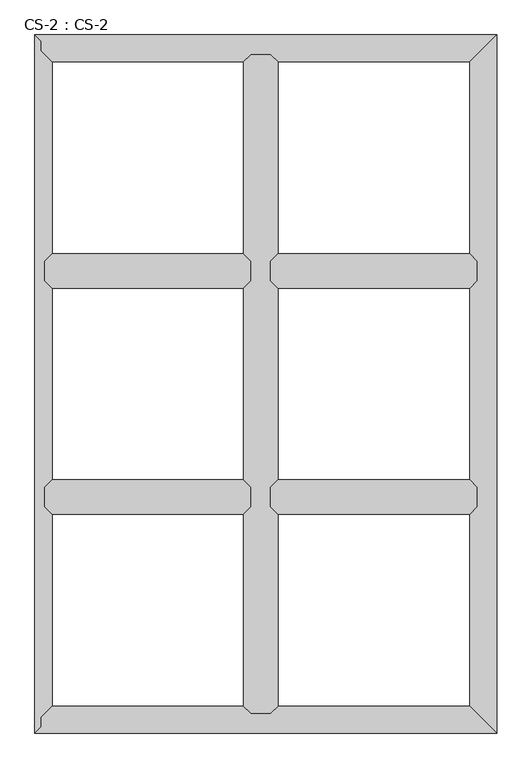
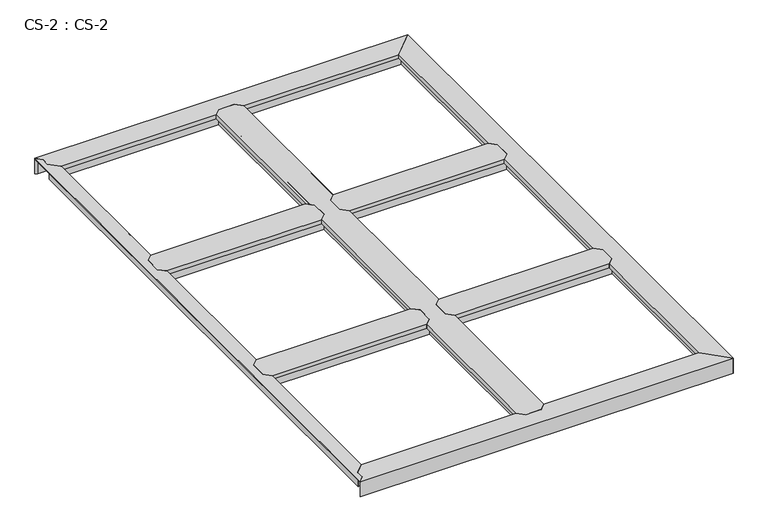
"""IFC4 building model written with IfcOpenShell, lengths in millimetres: proxy geometry, CS-2 : CS-2."""

from ifc_helpers import new_model, si_unit, origin, place, context, project, spatial, faceted_brep, source, transform, mapped, element, save


def cs_2_cs_2_319b02da(model_context):
    return source(origin(), model_context, "Body", "Brep", [
        faceted_brep([(1490.98, 762.0, 46.355), (1490.98, 762.0, 0.0), (1490.98, 768.985, 0.0), (1490.98, 768.985, 63.5), (1490.98, 821.055, 63.5), (1490.98, 821.055, 0.0), (1490.98, 828.04, 0.0), (1490.98, 828.04, 46.355), (1490.98, 828.04, 66.675), (1490.98, 762.0, 66.675), (795.02, 828.04, 46.355), (795.02, 828.04, 0.0), (795.02, 821.055, 0.0), (795.02, 821.055, 63.5), (795.02, 768.985, 63.5), (795.02, 768.985, 0.0), (795.02, 762.0, 0.0), (795.02, 762.0, 46.355), (795.02, 762.0, 66.675), (795.02, 828.04, 66.675), (819.658, 852.678, 66.675), (1466.342, 852.678, 66.675), (1466.342, 852.678, 49.8094), (819.658, 852.678, 49.8094), (1467.866, 851.154, 49.8094), (818.134, 851.154, 49.8094), (1467.866, 851.154, 64.643), (818.134, 851.154, 64.643), (1478.153, 840.867, 64.643), (807.847, 840.867, 64.643), (1478.153, 840.867, 46.355), (807.847, 840.867, 46.355), (1478.153, 749.173, 46.355), (807.847, 749.173, 46.355), (1478.153, 749.173, 64.643), (807.847, 749.173, 64.643), (1467.866, 738.886, 64.643), (818.134, 738.886, 64.643), (1467.866, 738.886, 49.8094), (818.134, 738.886, 49.8094), (1466.342, 737.362, 49.8094), (819.658, 737.362, 49.8094), (1466.342, 737.362, 66.675), (819.658, 737.362, 66.675)], [[[0, 1, 2, 3, 4, 5, 6, 7, 8, 9]], [[10, 11, 12, 13, 14, 15, 16, 17, 18, 19]], [[20, 21, 22, 23]], [[23, 22, 24, 25]], [[25, 24, 26, 27]], [[27, 26, 28, 29]], [[29, 28, 30, 31]], [[7, 10, 31, 30]], [[7, 6, 11, 10]], [[6, 5, 12, 11]], [[5, 4, 13, 12]], [[4, 3, 14, 13]], [[3, 2, 15, 14]], [[2, 1, 16, 15]], [[1, 0, 17, 16]], [[17, 0, 32, 33]], [[33, 32, 34, 35]], [[35, 34, 36, 37]], [[37, 36, 38, 39]], [[39, 38, 40, 41]], [[41, 40, 42, 43]], [[9, 8, 21, 20, 19, 18, 43, 42]], [[10, 19, 20, 23, 25, 27, 29, 31]], [[18, 17, 33, 35, 37, 39, 41, 43]], [[0, 9, 42, 40, 38, 36, 34, 32]], [[8, 7, 30, 28, 26, 24, 22, 21]]]),
        faceted_brep([(1490.98, 1524.0, 46.355), (1490.98, 1524.0, 0.0), (1490.98, 1530.985, 0.0), (1490.98, 1530.985, 63.5), (1490.98, 1583.055, 63.5), (1490.98, 1583.055, 0.0), (1490.98, 1590.04, 0.0), (1490.98, 1590.04, 46.355), (1490.98, 1590.04, 66.675), (1490.98, 1524.0, 66.675), (795.02, 1590.04, 46.355), (795.02, 1590.04, 0.0), (795.02, 1583.055, 0.0), (795.02, 1583.055, 63.5), (795.02, 1530.985, 63.5), (795.02, 1530.985, 0.0), (795.02, 1524.0, 0.0), (795.02, 1524.0, 46.355), (795.02, 1524.0, 66.675), (795.02, 1590.04, 66.675), (819.658, 1614.678, 66.675), (1466.342, 1614.678, 66.675), (1466.342, 1614.678, 49.8094), (819.658, 1614.678, 49.8094), (1467.866, 1613.154, 49.8094), (818.134, 1613.154, 49.8094), (1467.866, 1613.154, 64.643), (818.134, 1613.154, 64.643), (1478.153, 1602.867, 64.643), (807.847, 1602.867, 64.643), (1478.153, 1602.867, 46.355), (807.847, 1602.867, 46.355), (1478.153, 1511.173, 46.355), (807.847, 1511.173, 46.355), (1478.153, 1511.173, 64.643), (807.847, 1511.173, 64.643), (1467.866, 1500.886, 64.643), (818.134, 1500.886, 64.643), (1467.866, 1500.886, 49.8094), (818.134, 1500.886, 49.8094), (1466.342, 1499.362, 49.8094), (819.658, 1499.362, 49.8094), (1466.342, 1499.362, 66.675), (819.658, 1499.362, 66.675)], [[[0, 1, 2, 3, 4, 5, 6, 7, 8, 9]], [[10, 11, 12, 13, 14, 15, 16, 17, 18, 19]], [[20, 21, 22, 23]], [[23, 22, 24, 25]], [[25, 24, 26, 27]], [[27, 26, 28, 29]], [[29, 28, 30, 31]], [[7, 10, 31, 30]], [[7, 6, 11, 10]], [[6, 5, 12, 11]], [[5, 4, 13, 12]], [[4, 3, 14, 13]], [[3, 2, 15, 14]], [[2, 1, 16, 15]], [[1, 0, 17, 16]], [[17, 0, 32, 33]], [[33, 32, 34, 35]], [[35, 34, 36, 37]], [[37, 36, 38, 39]], [[39, 38, 40, 41]], [[41, 40, 42, 43]], [[9, 8, 21, 20, 19, 18, 43, 42]], [[10, 19, 20, 23, 25, 27, 29, 31]], [[18, 17, 33, 35, 37, 39, 41, 43]], [[0, 9, 42, 40, 38, 36, 34, 32]], [[8, 7, 30, 28, 26, 24, 22, 21]]]),
        faceted_brep([(795.02, 2286.0, 46.355), (795.02, 2286.0, 0.0), (788.035, 2286.0, 0.0), (788.035, 2286.0, 63.5), (735.965, 2286.0, 63.5), (735.965, 2286.0, 0.0), (728.98, 2286.0, 0.0), (728.98, 2286.0, 46.355), (728.98, 2286.0, 66.675), (795.02, 2286.0, 66.675), (728.98, 66.04, 46.355), (728.98, 66.04, 0.0), (735.965, 66.04, 0.0), (735.965, 66.04, 63.5), (788.035, 66.04, 63.5), (788.035, 66.04, 0.0), (795.02, 66.04, 0.0), (795.02, 66.04, 46.355), (795.02, 66.04, 66.675), (728.98, 66.04, 66.675), (704.342, 90.678, 49.8094), (704.342, 90.678, 66.675), (704.342, 737.362, 66.675), (704.342, 737.362, 49.8094), (704.342, 2261.362, 66.675), (704.342, 2261.362, 49.8094), (704.342, 1614.678, 49.8094), (704.342, 1614.678, 66.675), (704.342, 852.678, 49.8094), (704.342, 852.678, 66.675), (704.342, 1499.362, 66.675), (704.342, 1499.362, 49.8094), (705.866, 89.154, 49.8094), (705.866, 738.886, 49.8094), (705.866, 2262.886, 49.8094), (705.866, 1613.154, 49.8094), (705.866, 851.154, 49.8094), (705.866, 1500.886, 49.8094), (705.866, 89.154, 64.643), (705.866, 738.886, 64.643), (705.866, 2262.886, 64.643), (705.866, 1613.154, 64.643), (705.866, 851.154, 64.643), (705.866, 1500.886, 64.643), (716.153, 78.867, 64.643), (716.153, 749.173, 64.643), (716.153, 2273.173, 64.643), (716.153, 1602.867, 64.643), (716.153, 840.867, 64.643), (716.153, 1511.173, 64.643), (716.153, 78.867, 46.355), (716.153, 749.173, 46.355), (716.153, 2273.173, 46.355), (716.153, 1602.867, 46.355), (716.153, 840.867, 46.355), (716.153, 1511.173, 46.355), (728.98, 762.0, 46.355), (728.98, 1590.04, 46.355), (728.98, 828.04, 46.355), (728.98, 1524.0, 46.355), (728.98, 762.0, 66.675), (728.98, 828.04, 66.675), (728.98, 1524.0, 66.675), (728.98, 1590.04, 66.675), (795.02, 1590.04, 46.355), (795.02, 1590.04, 66.675), (795.02, 1524.0, 66.675), (795.02, 1524.0, 46.355), (795.02, 828.04, 46.355), (795.02, 828.04, 66.675), (795.02, 762.0, 66.675), (795.02, 762.0, 46.355), (807.847, 78.867, 46.355), (807.847, 749.173, 46.355), (807.847, 2273.173, 46.355), (807.847, 1602.867, 46.355), (807.847, 840.867, 46.355), (807.847, 1511.173, 46.355), (807.847, 78.867, 64.643), (807.847, 749.173, 64.643), (807.847, 2273.173, 64.643), (807.847, 1602.867, 64.643), (807.847, 840.867, 64.643), (807.847, 1511.173, 64.643), (818.134, 89.154, 64.643), (818.134, 738.886, 64.643), (818.134, 2262.886, 64.643), (818.134, 1613.154, 64.643), (818.134, 851.154, 64.643), (818.134, 1500.886, 64.643), (818.134, 89.154, 49.8094), (818.134, 738.886, 49.8094), (818.134, 2262.886, 49.8094), (818.134, 1613.154, 49.8094), (818.134, 851.154, 49.8094), (818.134, 1500.886, 49.8094), (819.658, 90.678, 49.8094), (819.658, 737.362, 49.8094), (819.658, 2261.362, 49.8094), (819.658, 1614.678, 49.8094), (819.658, 852.678, 49.8094), (819.658, 1499.362, 49.8094), (819.658, 90.678, 66.675), (819.658, 737.362, 66.675), (819.658, 2261.362, 66.675), (819.658, 1614.678, 66.675), (819.658, 852.678, 66.675), (819.658, 1499.362, 66.675)], [[[0, 1, 2, 3, 4, 5, 6, 7, 8, 9]], [[10, 11, 12, 13, 14, 15, 16, 17, 18, 19]], [[20, 21, 22, 23]], [[24, 25, 26, 27]], [[28, 29, 30, 31]], [[32, 20, 23, 33]], [[25, 34, 35, 26]], [[36, 28, 31, 37]], [[38, 32, 33, 39]], [[34, 40, 41, 35]], [[42, 36, 37, 43]], [[44, 38, 39, 45]], [[40, 46, 47, 41]], [[48, 42, 43, 49]], [[50, 44, 45, 51]], [[46, 52, 53, 47]], [[54, 48, 49, 55]], [[10, 50, 51, 56]], [[52, 7, 57, 53]], [[58, 54, 55, 59]], [[7, 6, 11, 10, 56, 60, 61, 58, 59, 62, 63, 57]], [[6, 5, 12, 11]], [[5, 4, 13, 12]], [[4, 3, 14, 13]], [[3, 2, 15, 14]], [[2, 1, 16, 15]], [[1, 0, 64, 65, 66, 67, 68, 69, 70, 71, 17, 16]], [[72, 17, 71, 73]], [[0, 74, 75, 64]], [[76, 68, 67, 77]], [[78, 72, 73, 79]], [[74, 80, 81, 75]], [[82, 76, 77, 83]], [[84, 78, 79, 85]], [[80, 86, 87, 81]], [[88, 82, 83, 89]], [[90, 84, 85, 91]], [[86, 92, 93, 87]], [[94, 88, 89, 95]], [[96, 90, 91, 97]], [[92, 98, 99, 93]], [[100, 94, 95, 101]], [[102, 96, 97, 103]], [[98, 104, 105, 99]], [[106, 100, 101, 107]], [[9, 8, 24, 27, 63, 62, 30, 29, 61, 60, 22, 21, 19, 18, 102, 103, 70, 69, 106, 107, 66, 65, 105, 104]], [[10, 19, 21, 20, 32, 38, 44, 50]], [[18, 17, 72, 78, 84, 90, 96, 102]], [[0, 9, 104, 98, 92, 86, 80, 74]], [[8, 7, 52, 46, 40, 34, 25, 24]], [[60, 56, 51, 45, 39, 33, 23, 22]], [[58, 61, 29, 28, 36, 42, 48, 54]], [[62, 59, 55, 49, 43, 37, 31, 30]], [[57, 63, 27, 26, 35, 41, 47, 53]], [[69, 68, 76, 82, 88, 94, 100, 106]], [[71, 70, 103, 97, 91, 85, 79, 73]], [[65, 64, 75, 81, 87, 93, 99, 105]], [[67, 66, 107, 101, 95, 89, 83, 77]]]),
        faceted_brep([(728.98, 762.0, 46.355), (728.98, 762.0, 0.0), (728.98, 768.985, 0.0), (728.98, 768.985, 63.5), (728.98, 821.055, 63.5), (728.98, 821.055, 0.0), (728.98, 828.04, 0.0), (728.98, 828.04, 46.355), (728.98, 828.04, 66.675), (728.98, 762.0, 66.675), (33.02, 828.04, 46.355), (33.02, 828.04, 0.0), (33.02, 821.055, 0.0), (33.02, 821.055, 63.5), (33.02, 768.985, 63.5), (33.02, 768.985, 0.0), (33.02, 762.0, 0.0), (33.02, 762.0, 46.355), (33.02, 762.0, 66.675), (33.02, 828.04, 66.675), (57.658, 852.678, 66.675), (704.342, 852.678, 66.675), (704.342, 852.678, 49.8094), (57.658, 852.678, 49.8094), (705.866, 851.154, 49.8094), (56.134, 851.154, 49.8094), (705.866, 851.154, 64.643), (56.134, 851.154, 64.643), (716.153, 840.867, 64.643), (45.847, 840.867, 64.643), (716.153, 840.867, 46.355), (45.847, 840.867, 46.355), (716.153, 749.173, 46.355), (45.847, 749.173, 46.355), (716.153, 749.173, 64.643), (45.847, 749.173, 64.643), (705.866, 738.886, 64.643), (56.134, 738.886, 64.643), (705.866, 738.886, 49.8094), (56.134, 738.886, 49.8094), (704.342, 737.362, 49.8094), (57.658, 737.362, 49.8094), (704.342, 737.362, 66.675), (57.658, 737.362, 66.675)], [[[0, 1, 2, 3, 4, 5, 6, 7, 8, 9]], [[10, 11, 12, 13, 14, 15, 16, 17, 18, 19]], [[20, 21, 22, 23]], [[23, 22, 24, 25]], [[25, 24, 26, 27]], [[27, 26, 28, 29]], [[29, 28, 30, 31]], [[7, 10, 31, 30]], [[7, 6, 11, 10]], [[6, 5, 12, 11]], [[5, 4, 13, 12]], [[4, 3, 14, 13]], [[3, 2, 15, 14]], [[2, 1, 16, 15]], [[1, 0, 17, 16]], [[17, 0, 32, 33]], [[33, 32, 34, 35]], [[35, 34, 36, 37]], [[37, 36, 38, 39]], [[39, 38, 40, 41]], [[41, 40, 42, 43]], [[9, 8, 21, 20, 19, 18, 43, 42]], [[10, 19, 20, 23, 25, 27, 29, 31]], [[18, 17, 33, 35, 37, 39, 41, 43]], [[0, 9, 42, 40, 38, 36, 34, 32]], [[8, 7, 30, 28, 26, 24, 22, 21]]]),
        faceted_brep([(728.98, 1524.0, 46.355), (728.98, 1524.0, 0.0), (728.98, 1530.985, 0.0), (728.98, 1530.985, 63.5), (728.98, 1583.055, 63.5), (728.98, 1583.055, 0.0), (728.98, 1590.04, 0.0), (728.98, 1590.04, 46.355), (728.98, 1590.04, 66.675), (728.98, 1524.0, 66.675), (33.02, 1590.04, 46.355), (33.02, 1590.04, 0.0), (33.02, 1583.055, 0.0), (33.02, 1583.055, 63.5), (33.02, 1530.985, 63.5), (33.02, 1530.985, 0.0), (33.02, 1524.0, 0.0), (33.02, 1524.0, 46.355), (33.02, 1524.0, 66.675), (33.02, 1590.04, 66.675), (57.658, 1614.678, 66.675), (704.342, 1614.678, 66.675), (704.342, 1614.678, 49.8094), (57.658, 1614.678, 49.8094), (705.866, 1613.154, 49.8094), (56.134, 1613.154, 49.8094), (705.866, 1613.154, 64.643), (56.134, 1613.154, 64.643), (716.153, 1602.867, 64.643), (45.847, 1602.867, 64.643), (716.153, 1602.867, 46.355), (45.847, 1602.867, 46.355), (716.153, 1511.173, 46.355), (45.847, 1511.173, 46.355), (716.153, 1511.173, 64.643), (45.847, 1511.173, 64.643), (705.866, 1500.886, 64.643), (56.134, 1500.886, 64.643), (705.866, 1500.886, 49.8094), (56.134, 1500.886, 49.8094), (704.342, 1499.362, 49.8094), (57.658, 1499.362, 49.8094), (704.342, 1499.362, 66.675), (57.658, 1499.362, 66.675)], [[[0, 1, 2, 3, 4, 5, 6, 7, 8, 9]], [[10, 11, 12, 13, 14, 15, 16, 17, 18, 19]], [[20, 21, 22, 23]], [[23, 22, 24, 25]], [[25, 24, 26, 27]], [[27, 26, 28, 29]], [[29, 28, 30, 31]], [[7, 10, 31, 30]], [[7, 6, 11, 10]], [[6, 5, 12, 11]], [[5, 4, 13, 12]], [[4, 3, 14, 13]], [[3, 2, 15, 14]], [[2, 1, 16, 15]], [[1, 0, 17, 16]], [[17, 0, 32, 33]], [[33, 32, 34, 35]], [[35, 34, 36, 37]], [[37, 36, 38, 39]], [[39, 38, 40, 41]], [[41, 40, 42, 43]], [[9, 8, 21, 20, 19, 18, 43, 42]], [[10, 19, 20, 23, 25, 27, 29, 31]], [[18, 17, 33, 35, 37, 39, 41, 43]], [[0, 9, 42, 40, 38, 36, 34, 32]], [[8, 7, 30, 28, 26, 24, 22, 21]]]),
        faceted_brep([(1557.02, 0.0, 0.0), (0.0, 0.0, 0.0), (6.985, 6.985, 0.0), (1550.035, 6.985, 0.0), (1550.035, 6.985, 63.5), (6.985, 6.985, 63.5), (1497.965, 59.055, 63.5), (21.59, 21.59, 63.5), (21.59, 53.34, 63.5), (27.1106122, 59.055, 63.5), (1497.965, 59.055, 0.0), (27.1106122, 59.055, 0.0), (33.8580272, 66.04, 0.0), (1490.98, 66.04, 0.0), (1490.98, 66.04, 46.355), (33.8580272, 66.04, 46.355), (728.98, 66.04, 46.355), (728.98, 66.04, 66.675), (795.02, 66.04, 66.675), (795.02, 66.04, 46.355), (1478.153, 78.867, 46.355), (807.847, 78.867, 46.355), (46.2487347, 78.867, 46.355), (716.153, 78.867, 46.355), (1478.153, 78.867, 63.5), (807.847, 78.867, 63.5), (46.2487347, 78.867, 63.5), (716.153, 78.867, 63.5), (1467.866, 89.154, 63.5), (818.134, 89.154, 63.5), (56.1858367, 89.154, 63.5), (705.866, 89.154, 63.5), (1467.866, 89.154, 49.8094), (818.134, 89.154, 49.8094), (56.1858367, 89.154, 49.8094), (705.866, 89.154, 49.8094), (1466.342, 90.678, 49.8094), (819.658, 90.678, 49.8094), (57.658, 90.678, 49.8094), (704.342, 90.678, 49.8094), (1466.342, 90.678, 66.675), (819.658, 90.678, 66.675), (57.658, 90.678, 66.675), (704.342, 90.678, 66.675), (0.0, 0.0, 66.675), (1557.02, 0.0, 66.675), (21.59, 53.34, 66.675), (21.59, 21.59, 66.675)], [[[0, 1, 2, 3]], [[4, 3, 2, 5]], [[6, 4, 5, 7, 8, 9]], [[10, 6, 9, 11]], [[12, 13, 10, 11]], [[14, 13, 12, 15, 16, 17, 18, 19]], [[20, 14, 19, 21]], [[15, 22, 23, 16]], [[24, 20, 21, 25]], [[22, 26, 27, 23]], [[28, 24, 25, 29]], [[26, 30, 31, 27]], [[32, 28, 29, 33]], [[30, 34, 35, 31]], [[36, 32, 33, 37]], [[34, 38, 39, 35]], [[40, 36, 37, 41]], [[38, 42, 43, 39]], [[44, 45, 40, 41, 18, 17, 43, 42, 46, 47]], [[1, 0, 45, 44]], [[0, 3, 4, 6, 10, 13, 14, 20, 24, 28, 32, 36, 40, 45]], [[7, 47, 46, 8]], [[8, 46, 42, 38, 34, 30, 26, 22, 15, 12, 11, 9]], [[47, 7, 5, 2, 1, 44]], [[17, 16, 23, 27, 31, 35, 39, 43]], [[19, 18, 41, 37, 33, 29, 25, 21]]]),
        faceted_brep([(1557.02, 2352.04, 0.0), (1557.02, 0.0, 0.0), (1550.035, 6.985, 0.0), (1550.035, 2345.055, 0.0), (1550.035, 2345.055, 63.5), (1550.035, 6.985, 63.5), (1497.965, 2292.985, 63.5), (1497.965, 59.055, 63.5), (1497.965, 2292.985, 0.0), (1497.965, 59.055, 0.0), (1490.98, 66.04, 0.0), (1490.98, 2286.0, 0.0), (1490.98, 2286.0, 46.355), (1490.98, 66.04, 46.355), (1490.98, 762.0, 46.355), (1490.98, 762.0, 66.675), (1490.98, 828.04, 66.675), (1490.98, 828.04, 46.355), (1490.98, 1524.0, 46.355), (1490.98, 1524.0, 66.675), (1490.98, 1590.04, 66.675), (1490.98, 1590.04, 46.355), (1478.153, 2273.173, 46.355), (1478.153, 1602.867, 46.355), (1478.153, 78.867, 46.355), (1478.153, 749.173, 46.355), (1478.153, 1511.173, 46.355), (1478.153, 840.867, 46.355), (1478.153, 2273.173, 63.5), (1478.153, 1602.867, 63.5), (1478.153, 78.867, 63.5), (1478.153, 749.173, 63.5), (1478.153, 1511.173, 63.5), (1478.153, 840.867, 63.5), (1467.866, 2262.886, 63.5), (1467.866, 1613.154, 63.5), (1467.866, 89.154, 63.5), (1467.866, 738.886, 63.5), (1467.866, 1500.886, 63.5), (1467.866, 851.154, 63.5), (1467.866, 2262.886, 49.8094), (1467.866, 1613.154, 49.8094), (1467.866, 89.154, 49.8094), (1467.866, 738.886, 49.8094), (1467.866, 1500.886, 49.8094), (1467.866, 851.154, 49.8094), (1466.342, 2261.362, 49.8094), (1466.342, 1614.678, 49.8094), (1466.342, 90.678, 49.8094), (1466.342, 737.362, 49.8094), (1466.342, 1499.362, 49.8094), (1466.342, 852.678, 49.8094), (1466.342, 2261.362, 66.675), (1466.342, 1614.678, 66.675), (1466.342, 90.678, 66.675), (1466.342, 737.362, 66.675), (1466.342, 1499.362, 66.675), (1466.342, 852.678, 66.675), (1557.02, 0.0, 66.675), (1557.02, 2352.04, 66.675)], [[[0, 1, 2, 3]], [[4, 3, 2, 5]], [[6, 4, 5, 7]], [[8, 6, 7, 9]], [[10, 11, 8, 9]], [[12, 11, 10, 13, 14, 15, 16, 17, 18, 19, 20, 21]], [[22, 12, 21, 23]], [[13, 24, 25, 14]], [[26, 18, 17, 27]], [[28, 22, 23, 29]], [[24, 30, 31, 25]], [[32, 26, 27, 33]], [[34, 28, 29, 35]], [[30, 36, 37, 31]], [[38, 32, 33, 39]], [[40, 34, 35, 41]], [[36, 42, 43, 37]], [[44, 38, 39, 45]], [[46, 40, 41, 47]], [[42, 48, 49, 43]], [[50, 44, 45, 51]], [[52, 46, 47, 53]], [[48, 54, 55, 49]], [[56, 50, 51, 57]], [[58, 59, 52, 53, 20, 19, 56, 57, 16, 15, 55, 54]], [[1, 0, 59, 58]], [[0, 3, 4, 6, 8, 11, 12, 22, 28, 34, 40, 46, 52, 59]], [[2, 1, 58, 54, 48, 42, 36, 30, 24, 13, 10, 9, 7, 5]], [[19, 18, 26, 32, 38, 44, 50, 56]], [[21, 20, 53, 47, 41, 35, 29, 23]], [[15, 14, 25, 31, 37, 43, 49, 55]], [[17, 16, 57, 51, 45, 39, 33, 27]]]),
        faceted_brep([(0.0, 2352.04, 0.0), (1557.02, 2352.04, 0.0), (1550.035, 2345.055, 0.0), (6.985, 2345.055, 0.0), (6.985, 2345.055, 63.5), (1550.035, 2345.055, 63.5), (21.59, 2330.45, 63.5), (1497.965, 2292.985, 63.5), (27.1106122, 2292.985, 63.5), (21.59, 2298.7, 63.5), (27.1106122, 2292.985, 0.0), (1497.965, 2292.985, 0.0), (1490.98, 2286.0, 0.0), (33.8580272, 2286.0, 0.0), (33.8580272, 2286.0, 46.355), (1490.98, 2286.0, 46.355), (795.02, 2286.0, 46.355), (795.02, 2286.0, 66.675), (728.98, 2286.0, 66.675), (728.98, 2286.0, 46.355), (46.2487347, 2273.173, 46.355), (716.153, 2273.173, 46.355), (1478.153, 2273.173, 46.355), (807.847, 2273.173, 46.355), (46.2487347, 2273.173, 63.5), (716.153, 2273.173, 63.5), (1478.153, 2273.173, 63.5), (807.847, 2273.173, 63.5), (56.1858367, 2262.886, 63.5), (705.866, 2262.886, 63.5), (1467.866, 2262.886, 63.5), (818.134, 2262.886, 63.5), (56.1858367, 2262.886, 49.8094), (705.866, 2262.886, 49.8094), (1467.866, 2262.886, 49.8094), (818.134, 2262.886, 49.8094), (57.658, 2261.362, 49.8094), (704.342, 2261.362, 49.8094), (1466.342, 2261.362, 49.8094), (819.658, 2261.362, 49.8094), (57.658, 2261.362, 66.675), (704.342, 2261.362, 66.675), (1466.342, 2261.362, 66.675), (819.658, 2261.362, 66.675), (1557.02, 2352.04, 66.675), (0.0, 2352.04, 66.675), (21.59, 2330.45, 66.675), (21.59, 2298.7, 66.675)], [[[0, 1, 2, 3]], [[4, 3, 2, 5]], [[6, 4, 5, 7, 8, 9]], [[10, 8, 7, 11]], [[12, 13, 10, 11]], [[14, 13, 12, 15, 16, 17, 18, 19]], [[20, 14, 19, 21]], [[15, 22, 23, 16]], [[24, 20, 21, 25]], [[22, 26, 27, 23]], [[28, 24, 25, 29]], [[26, 30, 31, 27]], [[32, 28, 29, 33]], [[30, 34, 35, 31]], [[36, 32, 33, 37]], [[34, 38, 39, 35]], [[40, 36, 37, 41]], [[38, 42, 43, 39]], [[44, 45, 46, 47, 40, 41, 18, 17, 43, 42]], [[1, 0, 45, 44]], [[6, 46, 45, 0, 3, 4]], [[47, 9, 8, 10, 13, 14, 20, 24, 28, 32, 36, 40]], [[46, 6, 9, 47]], [[2, 1, 44, 42, 38, 34, 30, 26, 22, 15, 12, 11, 7, 5]], [[17, 16, 23, 27, 31, 35, 39, 43]], [[19, 18, 41, 37, 33, 29, 25, 21]]]),
        faceted_brep([(0.0, 2352.04, 66.675), (0.0, 0.0, 66.675), (21.59, 21.59, 66.675), (21.59, 53.34, 66.675), (57.658, 90.678, 66.675), (57.658, 737.362, 66.675), (33.02, 762.0, 66.675), (33.02, 828.04, 66.675), (57.658, 852.678, 66.675), (57.658, 1499.362, 66.675), (33.02, 1524.0, 66.675), (33.02, 1590.04, 66.675), (57.658, 1614.678, 66.675), (57.658, 2261.362, 66.675), (21.59, 2298.7, 66.675), (21.59, 2330.45, 66.675), (0.0, 2352.04, 63.5), (0.0, 0.0, 63.5), (21.59, 2330.45, 63.5), (21.59, 2298.7, 63.5), (26.035, 2294.0984859, 63.5), (26.035, 57.9415141, 63.5), (21.59, 53.34, 63.5), (21.59, 21.59, 63.5), (26.035, 57.9415141, 0.0), (26.035, 2294.0984859, 0.0), (33.02, 2286.8675352, 0.0), (33.02, 65.1724648, 0.0), (33.02, 65.1724648, 46.355), (33.02, 2286.8675352, 46.355), (33.02, 1590.04, 46.355), (33.02, 1524.0, 46.355), (33.02, 828.04, 46.355), (33.02, 762.0, 46.355), (45.847, 78.4511197, 46.355), (45.847, 749.173, 46.355), (45.847, 2273.5888803, 46.355), (45.847, 1602.867, 46.355), (45.847, 840.867, 46.355), (45.847, 1511.173, 46.355), (45.847, 78.4511197, 64.643), (45.847, 749.173, 64.643), (45.847, 2273.5888803, 64.643), (45.847, 1602.867, 64.643), (45.847, 840.867, 64.643), (45.847, 1511.173, 64.643), (56.134, 89.100338, 64.643), (56.134, 738.886, 64.643), (56.134, 2262.939662, 64.643), (56.134, 1613.154, 64.643), (56.134, 851.154, 64.643), (56.134, 1500.886, 64.643), (56.134, 89.100338, 49.8094), (56.134, 738.886, 49.8094), (56.134, 2262.939662, 49.8094), (56.134, 1613.154, 49.8094), (56.134, 851.154, 49.8094), (56.134, 1500.886, 49.8094), (57.658, 90.678, 49.8094), (57.658, 737.362, 49.8094), (57.658, 2261.362, 49.8094), (57.658, 1614.678, 49.8094), (57.658, 852.678, 49.8094), (57.658, 1499.362, 49.8094)], [[[0, 1, 2, 3, 4, 5, 6, 7, 8, 9, 10, 11, 12, 13, 14, 15]], [[1, 0, 16, 17]], [[17, 16, 18, 19, 20, 21, 22, 23]], [[24, 21, 20, 25]], [[26, 27, 24, 25]], [[28, 27, 26, 29, 30, 11, 10, 31, 32, 7, 6, 33]], [[34, 28, 33, 35]], [[29, 36, 37, 30]], [[38, 32, 31, 39]], [[40, 34, 35, 41]], [[36, 42, 43, 37]], [[44, 38, 39, 45]], [[46, 40, 41, 47]], [[42, 48, 49, 43]], [[50, 44, 45, 51]], [[52, 46, 47, 53]], [[48, 54, 55, 49]], [[56, 50, 51, 57]], [[58, 52, 53, 59]], [[54, 60, 61, 55]], [[62, 56, 57, 63]], [[4, 58, 59, 5]], [[60, 13, 12, 61]], [[8, 62, 63, 9]], [[23, 2, 1, 17]], [[3, 22, 21, 24, 27, 28, 34, 40, 46, 52, 58, 4]], [[2, 23, 22, 3]], [[18, 15, 14, 19]], [[19, 14, 13, 60, 54, 48, 42, 36, 29, 26, 25, 20]], [[15, 18, 16, 0]], [[7, 32, 38, 44, 50, 56, 62, 8]], [[33, 6, 5, 59, 53, 47, 41, 35]], [[11, 30, 37, 43, 49, 55, 61, 12]], [[31, 10, 9, 63, 57, 51, 45, 39]]]),
    ])


if __name__ == "__main__":
    model = new_model("IFC4")
    model_context = context("Model", 3, world=origin())
    ifc_project = project(units=[si_unit("LENGTHUNIT", "METRE", prefix="MILLI")], contexts=[model_context])
    site = spatial("IfcSite", under=ifc_project)
    building = spatial("IfcBuilding", under=site)
    placement = place(None, origin())
    cs_2_cs_2_shape = cs_2_cs_2_319b02da(model_context)
    element("IfcBuildingElementProxy", 1, Name="CS-2 : CS-2", ObjectType="CS-2 : CS-2", at=placement, inside=building, context=model_context, shape_type="MappedRepresentation", body=[
        mapped(cs_2_cs_2_shape, transform((0.0, 0.0, 0.0), x_axis=(1.0, 0.0, 0.0), y_axis=(0.0, 1.0, 0.0), z_axis=(0.0, 0.0, 1.0))),
    ])
    save(model, "model.ifc")
